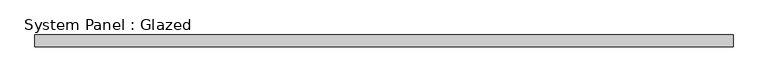
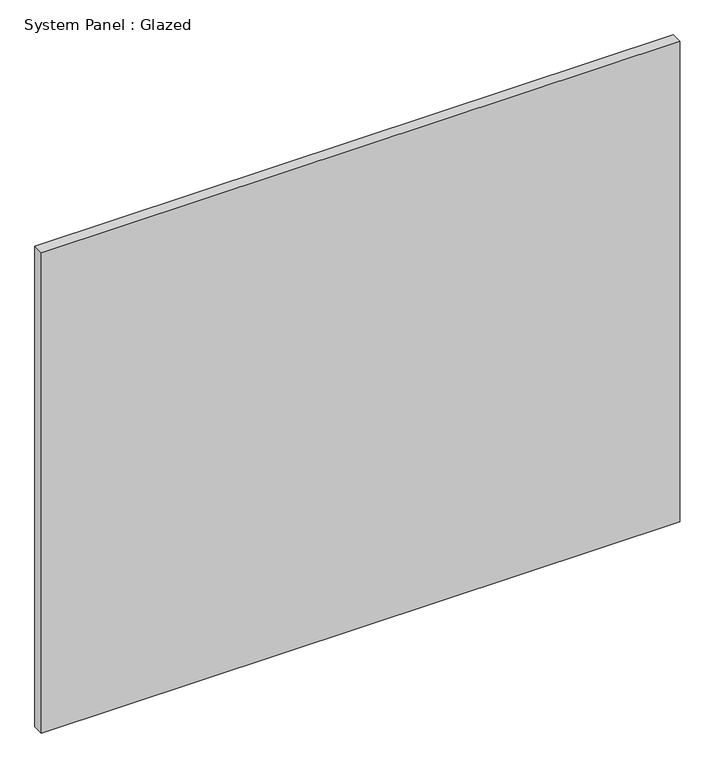
"""IFC4 building model written with IfcOpenShell, lengths in millimetres: plate geometry, System Panel : Glazed."""

from ifc_helpers import new_model, si_unit, origin, origin_with_axes, place, context, project, spatial, polyline, outline, extrude, source, transform, mapped, element, save


def system_panel_glazed_0318e979(model_context):
    return source(origin(), model_context, "Body", "SweptSolid", [
        extrude(outline(polyline([(746.125, -12.7), (-746.125, -12.7), (-746.125, 12.7), (746.125, 12.7), (746.125, -12.7)])), origin_with_axes(), (0.0, 0.0, 1.0), 1187.45),
    ])


if __name__ == "__main__":
    model = new_model("IFC4")
    model_context = context("Model", 3, world=origin())
    ifc_project = project(units=[si_unit("LENGTHUNIT", "METRE", prefix="MILLI")], contexts=[model_context])
    site = spatial("IfcSite", under=ifc_project)
    building = spatial("IfcBuilding", under=site)
    placement = place(None, origin())
    system_panel_glazed_shape = system_panel_glazed_0318e979(model_context)
    element("IfcPlate", 1, ObjectType="System Panel : Glazed", at=placement, inside=building, context=model_context, shape_type="MappedRepresentation", body=[
        mapped(system_panel_glazed_shape, transform((0.0, 0.0, 0.0), x_axis=(1.0, 0.0, 0.0), y_axis=(0.0, 1.0, 0.0), z_axis=(0.0, 0.0, 1.0))),
    ])
    save(model, "model.ifc")
